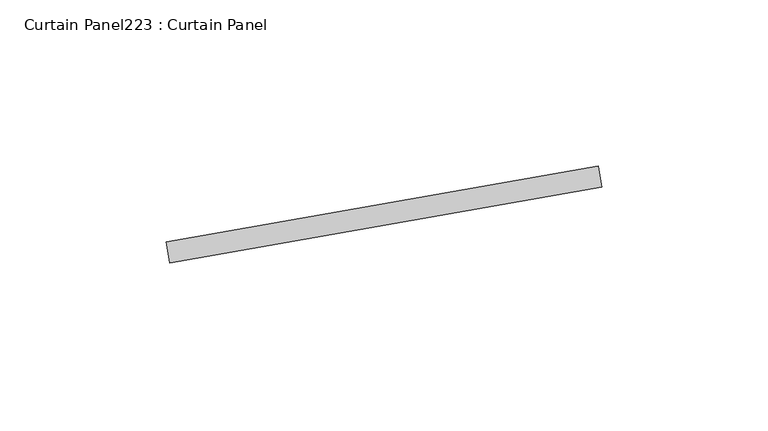
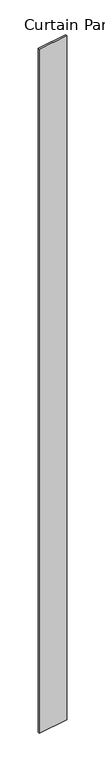
"""IFC4 building model written with IfcOpenShell, lengths in millimetres: plate geometry, Curtain Panel223 : Curtain Panel."""

from ifc_helpers import new_model, si_unit, frame, origin, place, context, project, spatial, polyline, outline, extrude, source, transform, mapped, element, save


def curtain_panel223_curtain_panel_bf9818ed(model_context):
    return source(origin(), model_context, "Body", "SweptSolid", [
        extrude(outline(polyline([(631544.4519241, 2323.0674519), (631414.6013698, 2300.1712957), (631413.4987039, 2306.4248249), (631543.3492582, 2329.3209811), (631544.4519241, 2323.0674519)])), frame((0.0, 0.0, 4959.7989371), z_axis=(0.0, 0.0, 1.0), x_axis=(1.0, 0.0, 0.0)), (0.0, 0.0, 1.0), 3048.0),
    ])


if __name__ == "__main__":
    model = new_model("IFC4")
    model_context = context("Model", 3, world=origin())
    ifc_project = project(units=[si_unit("LENGTHUNIT", "METRE", prefix="MILLI")], contexts=[model_context])
    site = spatial("IfcSite", under=ifc_project)
    building = spatial("IfcBuilding", under=site)
    placement = place(None, origin())
    curtain_panel223_curtain_panel_shape = curtain_panel223_curtain_panel_bf9818ed(model_context)
    element("IfcPlate", 1, ObjectType="Curtain Panel223 : Curtain Panel", at=placement, inside=building, context=model_context, shape_type="MappedRepresentation", body=[
        mapped(curtain_panel223_curtain_panel_shape, transform((0.0, 0.0, 0.0), x_axis=(1.0, 0.0, 0.0), y_axis=(0.0, 1.0, 0.0), z_axis=(0.0, 0.0, 1.0))),
    ])
    save(model, "model.ifc")
